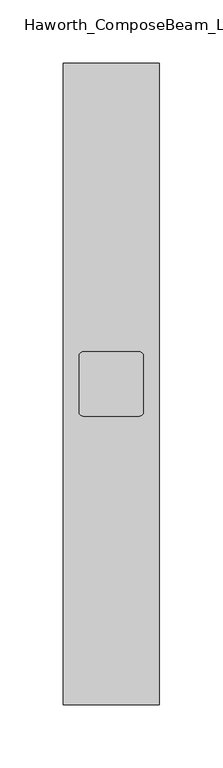
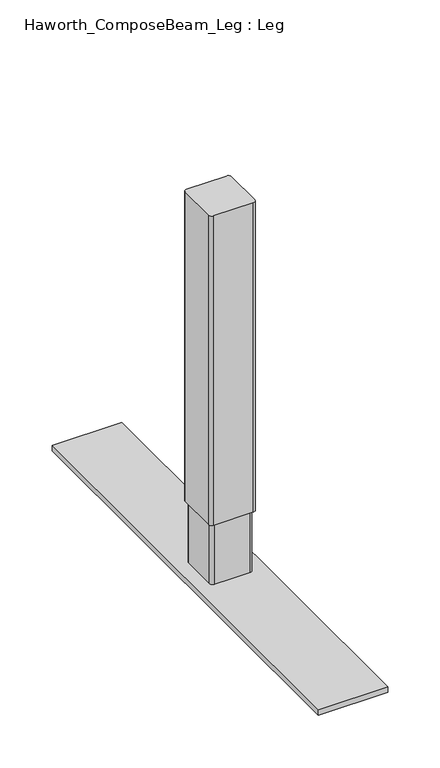
"""IFC4 building model written with IfcOpenShell, lengths in millimetres: furniture geometry, Haworth_ComposeBeam_Leg : Leg."""

from ifc_helpers import new_model, si_unit, point, frame, frame_2d, origin, origin_with_axes, place, context, project, spatial, polyline, circle_curve, trimmed, segment, composite_curve, outline, extrude, source, transform, mapped, element, save


def haworth_composebeam_leg_leg_b0ded843(model_context):
    return source(origin(), model_context, "Body", "SweptSolid", [
        extrude(outline(composite_curve([segment(trimmed(circle_curve(frame_2d((161.9249992, 50.5284841)), 3.175), [point((161.9249992, 47.3534841))], [point((158.7499992, 50.5284841))], False, "CARTESIAN"), True, "CONTINUOUS"), segment(polyline([(158.7499992, 50.5284841), (158.7499992, 94.9784822)]), True, "CONTINUOUS"), segment(trimmed(circle_curve(frame_2d((161.9249992, 94.9784822)), 3.175), [point((158.7499992, 94.9784822))], [point((161.9249992, 98.1534822))], False, "CARTESIAN"), True, "CONTINUOUS"), segment(polyline([(161.9249992, 98.1534822), (206.3749962, 98.1534822)]), True, "CONTINUOUS"), segment(trimmed(circle_curve(frame_2d((206.3749962, 94.9784822)), 3.175), [point((206.3749962, 98.1534822))], [point((209.5499962, 94.9784822))], False, "CARTESIAN"), True, "CONTINUOUS"), segment(polyline([(209.5499962, 94.9784822), (209.5499962, 50.5284841)]), True, "CONTINUOUS"), segment(trimmed(circle_curve(frame_2d((206.3749962, 50.5284841)), 3.175), [point((209.5499962, 50.5284841))], [point((206.3749962, 47.3534841))], False, "CARTESIAN"), True, "CONTINUOUS"), segment(polyline([(206.3749962, 47.3534841), (161.9249992, 47.3534841)]), True, "CONTINUOUS")], self_intersect=False)), frame((0.0, 0.0, 77.215999), z_axis=(0.0, 0.0, 1.0), x_axis=(1.0, 0.0, 0.0)), (0.0, 0.0, 1.0), 360.934001),
        extrude(outline(composite_curve([segment(trimmed(circle_curve(frame_2d((164.2109971, 52.8144819)), 3.175), [point((164.2109971, 49.6394819))], [point((161.0359971, 52.8144819))], False, "CARTESIAN"), True, "CONTINUOUS"), segment(polyline([(161.0359971, 52.8144819), (161.0359971, 92.6924821)]), True, "CONTINUOUS"), segment(trimmed(circle_curve(frame_2d((164.2109971, 92.6924821)), 3.175), [point((161.0359971, 92.6924821))], [point((164.2109971, 95.8674821))], False, "CARTESIAN"), True, "CONTINUOUS"), segment(polyline([(164.2109971, 95.8674821), (204.0889984, 95.8674821)]), True, "CONTINUOUS"), segment(trimmed(circle_curve(frame_2d((204.0889984, 92.6924821)), 3.175), [point((204.0889984, 95.8674821))], [point((207.2639984, 92.6924821))], False, "CARTESIAN"), True, "CONTINUOUS"), segment(polyline([(207.2639984, 92.6924821), (207.2639984, 52.8144819)]), True, "CONTINUOUS"), segment(trimmed(circle_curve(frame_2d((204.0889984, 52.8144819)), 3.175), [point((207.2639984, 52.8144819))], [point((204.0889984, 49.6394819))], False, "CARTESIAN"), True, "CONTINUOUS"), segment(polyline([(204.0889984, 49.6394819), (164.2109971, 49.6394819)]), True, "CONTINUOUS")], self_intersect=False)), frame((0.0, 0.0, 6.35), z_axis=(0.0, 0.0, 1.0), x_axis=(1.0, 0.0, 0.0)), (0.0, 0.0, 1.0), 153.415999),
        extrude(outline(polyline([(222.25, -181.2465234), (146.05, -181.2465234), (146.05, 326.7534766), (222.25, 326.7534766), (222.25, -181.2465234)])), origin_with_axes(), (0.0, 0.0, 1.0), 6.35),
    ])


if __name__ == "__main__":
    model = new_model("IFC4")
    model_context = context("Model", 3, world=origin())
    ifc_project = project(units=[si_unit("LENGTHUNIT", "METRE", prefix="MILLI")], contexts=[model_context])
    site = spatial("IfcSite", under=ifc_project)
    building = spatial("IfcBuilding", under=site)
    placement = place(None, origin())
    haworth_composebeam_leg_leg_shape = haworth_composebeam_leg_leg_b0ded843(model_context)
    element("IfcFurniture", 1, ObjectType="Haworth_ComposeBeam_Leg : Leg", at=placement, inside=building, context=model_context, shape_type="MappedRepresentation", body=[
        mapped(haworth_composebeam_leg_leg_shape, transform((0.0, 0.0, 0.0), x_axis=(1.0, 0.0, 0.0), y_axis=(0.0, 1.0, 0.0), z_axis=(0.0, 0.0, 1.0))),
    ])
    save(model, "model.ifc")
